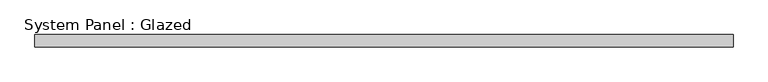
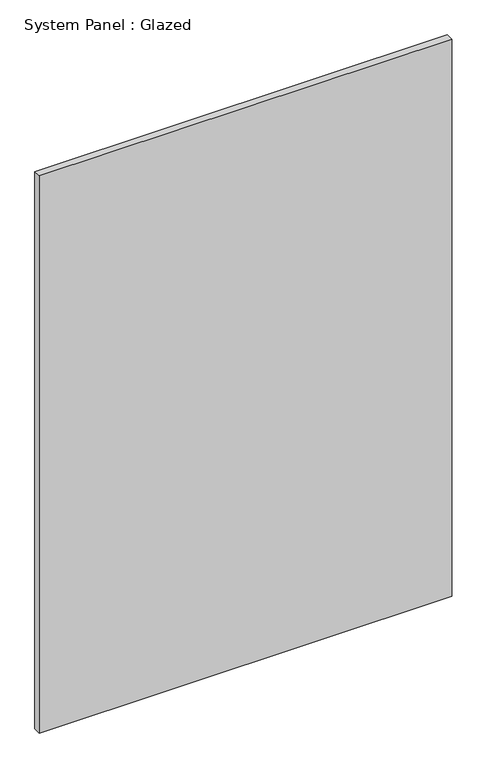
"""IFC4 building model written with IfcOpenShell, lengths in millimetres: plate geometry, System Panel : Glazed."""

from ifc_helpers import new_model, si_unit, origin, origin_with_axes, place, context, project, spatial, polyline, outline, extrude, source, transform, mapped, element, save


def system_panel_glazed_03d60447(model_context):
    return source(origin(), model_context, "Body", "SweptSolid", [
        extrude(outline(polyline([(700.0, 24.5), (-700.0, 24.5), (-700.0, 49.5), (700.0, 49.5), (700.0, 24.5)])), origin_with_axes(), (0.0, 0.0, 1.0), 2000.0),
    ])


if __name__ == "__main__":
    model = new_model("IFC4")
    model_context = context("Model", 3, world=origin())
    ifc_project = project(units=[si_unit("LENGTHUNIT", "METRE", prefix="MILLI")], contexts=[model_context])
    site = spatial("IfcSite", under=ifc_project)
    building = spatial("IfcBuilding", under=site)
    placement = place(None, origin())
    system_panel_glazed_shape = system_panel_glazed_03d60447(model_context)
    element("IfcPlate", 1, ObjectType="System Panel : Glazed", at=placement, inside=building, context=model_context, shape_type="MappedRepresentation", body=[
        mapped(system_panel_glazed_shape, transform((0.0, 0.0, 0.0), x_axis=(1.0, 0.0, 0.0), y_axis=(0.0, 1.0, 0.0), z_axis=(0.0, 0.0, 1.0))),
    ])
    save(model, "model.ifc")
